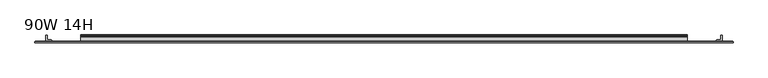
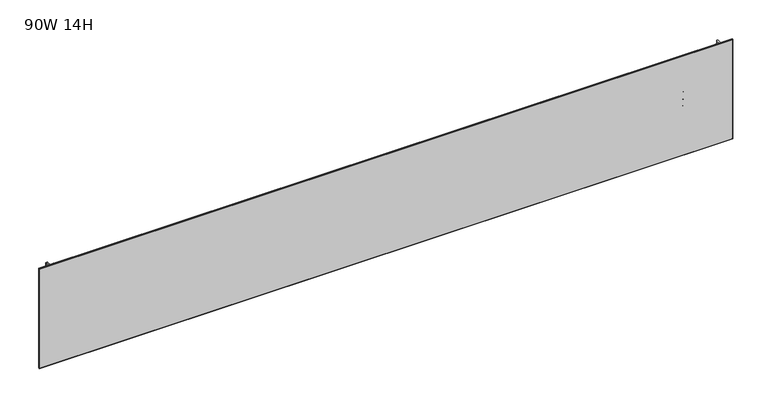
"""IFC4 building model written with IfcOpenShell, lengths in millimetres: furniture geometry, 90W 14H."""

import ifcopenshell
import ifcopenshell.guid

model = None  # the IFC model being written
_history = None  # IfcOwnerHistory: only IFC2X3 demands one
_inside = {}  # id of a spatial element -> (the spatial element, [elements in it])
_under = {}  # id of a project, library or spatial element -> (it, [spatial elements below it])
_declared = {}  # id of a project -> (the project, [libraries it declares])
_typed = {}  # id of a type object -> (the type object, [elements of that type])
_made_of = {}  # id of a material, layer set ... -> (it, [elements and type objects made of it])


def new_model(schema):
    """Start an empty IFC model of exactly this schema.

    Asked for "IFC4X3", IfcOpenShell would pick the latest addendum, in which some entities
    have other attributes; the version numbers below select the first issue.
    IFC2X3 requires an IfcOwnerHistory on every rooted entity: one is made here for all.
    """
    global model, _history
    if schema == "IFC4X3":
        model = ifcopenshell.file(schema_version=(4, 3, 0, 0))
    else:
        model = ifcopenshell.file(schema=schema)
    _inside.clear()
    _under.clear()
    _declared.clear()
    _typed.clear()
    _made_of.clear()
    _history = None
    if model.schema == "IFC2X3":
        org = make("IfcOrganization", Name="unknown")
        user = make(
            "IfcPersonAndOrganization",
            ThePerson=make("IfcPerson", FamilyName="unknown"),
            TheOrganization=org,
        )
        app = make(
            "IfcApplication",
            ApplicationDeveloper=org,
            Version="unknown",
            ApplicationFullName="unknown",
            ApplicationIdentifier="unknown",
        )
        _history = make(
            "IfcOwnerHistory",
            OwningUser=user,
            OwningApplication=app,
            ChangeAction="ADDED",
            CreationDate=0,
        )
    return model


def make(cls, **values):
    """One entity of the class cls with the attributes given. An attribute that is None is left unset."""
    return model.create_entity(
        cls, **{name: value for name, value in values.items() if value is not None}
    )


def rooted(cls, **values):
    """An entity with a GlobalId (a new one), such as an element, a storey or a relation."""
    return make(cls, GlobalId=ifcopenshell.guid.new(), OwnerHistory=_history, **values)


def si_unit(unit_type, name, prefix=None):
    """IfcSIUnit, for example si_unit("LENGTHUNIT", "METRE", prefix="MILLI")."""
    return make("IfcSIUnit", UnitType=unit_type, Prefix=prefix, Name=name)


def assignment(units):
    """IfcUnitAssignment: the units of a project."""
    return None if units is None else make("IfcUnitAssignment", Units=units)


def point(xyz):
    """IfcCartesianPoint."""
    return None if xyz is None else make("IfcCartesianPoint", Coordinates=xyz)


def direction(xyz):
    """IfcDirection."""
    return None if xyz is None else make("IfcDirection", DirectionRatios=xyz)


def frame(location, z_axis=None, x_axis=None):
    """IfcAxis2Placement3D, a coordinate frame: its origin and axes. An axis left out is left unset."""
    return make(
        "IfcAxis2Placement3D",
        Location=point(location),
        Axis=direction(z_axis),
        RefDirection=direction(x_axis),
    )


def frame_2d(location, x_axis=None):
    """IfcAxis2Placement2D, a coordinate frame in the plane: its origin and x axis."""
    return make(
        "IfcAxis2Placement2D", Location=point(location), RefDirection=direction(x_axis)
    )


def origin():
    """The frame at (0, 0, 0) with its axes left unset."""
    return frame((0.0, 0.0, 0.0))


def place(relative_to, where):
    """IfcLocalPlacement: puts the frame where relative to a parent placement (None: the world)."""
    return make(
        "IfcLocalPlacement", PlacementRelTo=relative_to, RelativePlacement=where
    )


def context(
    kind, dimensions, precision=None, world=None, true_north=None, identifier=None
):
    """IfcGeometricRepresentationContext, for example the 3D "Model" context."""
    return make(
        "IfcGeometricRepresentationContext",
        ContextIdentifier=identifier,
        ContextType=kind,
        CoordinateSpaceDimension=dimensions,
        Precision=precision,
        WorldCoordinateSystem=world,
        TrueNorth=true_north,
    )


def project(units=None, contexts=None):
    """IfcProject with its units and contexts."""
    return rooted(
        "IfcProject",
        Name="project",
        RepresentationContexts=contexts,
        UnitsInContext=assignment(units),
    )


def spatial(cls, under=None, at=None, **own):
    """A site, building, storey or space (cls), placed at a placement, below another one or the project."""
    s = rooted(cls, ObjectPlacement=at, **own)
    if under is not None:
        _under.setdefault(under.id(), (under, []))[1].append(s)
    return s


def polyline(points):
    """IfcPolyline through the points."""
    return make("IfcPolyline", Points=[point(p) for p in points])


def circle_curve(where, radius):
    """IfcCircle in the frame where."""
    return make("IfcCircle", Position=where, Radius=radius)


def trimmed(basis, trim1, trim2, sense, master):
    """IfcTrimmedCurve: the piece of a basis curve between two trims."""
    return make(
        "IfcTrimmedCurve",
        BasisCurve=basis,
        Trim1=trim1,
        Trim2=trim2,
        SenseAgreement=sense,
        MasterRepresentation=master,
    )


def segment(curve, same_sense, transition):
    """IfcCompositeCurveSegment."""
    return make(
        "IfcCompositeCurveSegment",
        Transition=transition,
        SameSense=same_sense,
        ParentCurve=curve,
    )


def composite_curve(segments, self_intersect=None):
    """IfcCompositeCurve: segments joined end to end."""
    return make("IfcCompositeCurve", Segments=segments, SelfIntersect=self_intersect)


def outline(outer, holes=None, kind="AREA"):
    """IfcArbitraryClosedProfileDef: a profile drawn as a closed curve; with holes, ...WithVoids."""
    if holes is None:
        return make("IfcArbitraryClosedProfileDef", ProfileType=kind, OuterCurve=outer)
    return make(
        "IfcArbitraryProfileDefWithVoids",
        ProfileType=kind,
        OuterCurve=outer,
        InnerCurves=holes,
    )


def extrude(swept, where, along, depth):
    """IfcExtrudedAreaSolid: the profile swept, set in the frame where, extruded along a direction by depth."""
    return make(
        "IfcExtrudedAreaSolid",
        SweptArea=swept,
        Position=where,
        ExtrudedDirection=direction(along),
        Depth=depth,
    )


def faces_of(points, faces, orient=None, outer=None):
    """IfcFace entities. A face is a list of loops; a loop is a list of indices into points, from 0.

    orient and outer hold one flag for each loop. By default every Orientation is true, the
    first loop of a face is its IfcFaceOuterBound and the others are IfcFaceBound.
    """
    made = []
    for i, loops in enumerate(faces):
        bounds = []
        for j, loop in enumerate(loops):
            is_outer = j == 0 if outer is None else outer[i][j]
            bounds.append(
                make(
                    "IfcFaceOuterBound" if is_outer else "IfcFaceBound",
                    Bound=make("IfcPolyLoop", Polygon=[points[k] for k in loop]),
                    Orientation=True if orient is None else orient[i][j],
                )
            )
        made.append(make("IfcFace", Bounds=bounds))
    return made


def faceted_brep(points, faces, orient=None, outer=None, voids=None):
    """IfcFacetedBrep: a solid bounded by flat faces; with voids (closed shells), ...WithVoids."""
    shared = [point(p) for p in points]
    hull = make("IfcClosedShell", CfsFaces=faces_of(shared, faces, orient, outer))
    if voids is None:
        return make("IfcFacetedBrep", Outer=hull)
    return make(
        "IfcFacetedBrepWithVoids",
        Outer=hull,
        Voids=[
            make(cls, CfsFaces=faces_of(shared, fs, o, b)) for cls, fs, o, b in voids
        ],
    )


def shape(context_of_items, identifier, shape_type, items):
    """IfcShapeRepresentation: the items that make up one representation, for example the "Body"."""
    return make(
        "IfcShapeRepresentation",
        ContextOfItems=context_of_items,
        RepresentationIdentifier=identifier,
        RepresentationType=shape_type,
        Items=items,
    )


def source(mapping_origin, context_of_items, identifier, shape_type, items):
    """IfcRepresentationMap: a shape defined once, which mapped items show again and again."""
    return make(
        "IfcRepresentationMap",
        MappingOrigin=mapping_origin,
        MappedRepresentation=shape(context_of_items, identifier, shape_type, items),
    )


def transform(
    local_origin,
    x_axis=None,
    y_axis=None,
    z_axis=None,
    scale=None,
    scale2=None,
    scale3=None,
    uniform=True,
):
    """IfcCartesianTransformationOperator3D, or its non-uniform kind. x_axis, y_axis, z_axis: its Axis1, 2, 3."""
    if uniform:
        return make(
            "IfcCartesianTransformationOperator3D",
            Axis1=direction(x_axis),
            Axis2=direction(y_axis),
            LocalOrigin=point(local_origin),
            Scale=scale,
            Axis3=direction(z_axis),
        )
    return make(
        "IfcCartesianTransformationOperator3DnonUniform",
        Axis1=direction(x_axis),
        Axis2=direction(y_axis),
        LocalOrigin=point(local_origin),
        Scale=scale,
        Axis3=direction(z_axis),
        Scale2=scale2,
        Scale3=scale3,
    )


def mapped(mapping_source, mapping_target):
    """IfcMappedItem: shows the shape of a source again, moved by a transform."""
    return make(
        "IfcMappedItem", MappingSource=mapping_source, MappingTarget=mapping_target
    )


def made_of(thing, what):
    """Note that an element or type object is made of a material, layer set ...; save() writes the relation."""
    if what is not None:
        _made_of.setdefault(what.id(), (what, []))[1].append(thing)
    return thing


def element(
    cls,
    number,
    at=None,
    inside=None,
    cuts=None,
    type_object=None,
    material=None,
    context=None,
    identifier="Body",
    shape_type=None,
    held_by="IfcProductDefinitionShape",
    body=None,
    shapes=None,
    **own,
):
    """One element of the class cls, such as IfcWall. Its Tag is "e" and its number.

    at: its placement. inside: the storey or other place that contains it. cuts: it is an
    opening in that element (IfcRelVoidsElement). A single representation is given by context,
    identifier, shape_type and body (its items); several are given by shapes. held_by: the class
    of the entity that holds the representations. save() writes the other relations.
    """
    e = rooted(cls, Tag="e%d" % number, ObjectPlacement=at, **own)
    if body is not None:
        shapes = [shape(context, identifier, shape_type, body)]
    if shapes is not None:
        e.Representation = make(held_by, Representations=shapes)
    if inside is not None:
        _inside.setdefault(inside.id(), (inside, []))[1].append(e)
    if cuts is not None:
        rooted(
            "IfcRelVoidsElement", RelatingBuildingElement=cuts, RelatedOpeningElement=e
        )
    if type_object is not None:
        _typed.setdefault(type_object.id(), (type_object, []))[1].append(e)
    return made_of(e, material)


def aggregate(whole, parts):
    """IfcRelAggregates: a whole, such as a stair, and the parts it consists of."""
    return rooted("IfcRelAggregates", RelatingObject=whole, RelatedObjects=parts)


def save(model, path):
    """Write the relations noted so far, then the file.

    IfcRelAggregates (storeys below a building ...), IfcRelContainedInSpatialStructure (elements
    in a storey), IfcRelDefinesByType, IfcRelAssociatesMaterial and IfcRelDeclares: one each for
    every whole, place, type object, material and project.
    """
    for whole, parts in _under.values():
        aggregate(whole, parts)
    for where, things in _inside.values():
        rooted(
            "IfcRelContainedInSpatialStructure",
            RelatedElements=things,
            RelatingStructure=where,
        )
    for kind, things in _typed.values():
        rooted("IfcRelDefinesByType", RelatedObjects=things, RelatingType=kind)
    for what, things in _made_of.values():
        rooted("IfcRelAssociatesMaterial", RelatedObjects=things, RelatingMaterial=what)
    for by, libraries in _declared.values():
        rooted("IfcRelDeclares", RelatingContext=by, RelatedDefinitions=libraries)
    model.write(path)


def furniture_90w_14h_d472a42c(model_context):
    return source(origin(), model_context, "Body", "SolidModel", [
        extrude(outline(composite_curve([segment(polyline([(-5.2324, 1512.9838044), (-5.2324, 1534.1023302)]), True, "CONTINUOUS"), segment(trimmed(circle_curve(frame_2d((-4.677496, 1534.1023302)), 0.554904), [point((-5.2324, 1534.1023302))], [point((-4.5338691, 1534.6383245))], False, "CARTESIAN"), True, "CONTINUOUS"), segment(polyline([(-4.5338691, 1534.6383245), (-3.3274001, 1534.3150349), (-2.3976956, 1533.3853678), (-2.0574001, 1532.1153145), (-2.0574001, 1519.3455299)]), True, "CONTINUOUS"), segment(trimmed(circle_curve(frame_2d((-1.4921701, 1519.3455299)), 0.5652299), [point((-2.0574001, 1519.3455299))], [point((-1.4921701, 1518.7803))], True, "CARTESIAN"), True, "CONTINUOUS"), segment(polyline([(-1.4921701, 1518.7803), (0.5143951, 1518.7803)]), True, "CONTINUOUS"), segment(trimmed(circle_curve(frame_2d((0.5143951, 1518.1770951)), 0.6032049), [point((0.5143951, 1518.7803))], [point((1.1176, 1518.1770951))], False, "CARTESIAN"), True, "CONTINUOUS"), segment(polyline([(1.1176, 1518.1770951), (1.1176, 1487.0624914)]), True, "CONTINUOUS"), segment(trimmed(circle_curve(frame_2d((0.6637885, 1489.7516964)), 2.7272272), [point((1.1176, 1487.0624914))], [point((-2.0574001, 1489.5703097))], False, "CARTESIAN"), True, "CONTINUOUS"), segment(polyline([(-2.0574001, 1489.5703097), (-2.0574001, 1511.8860586)]), True, "CONTINUOUS"), segment(trimmed(circle_curve(frame_2d((-2.6016657, 1511.8860586)), 0.5442657), [point((-2.0574001, 1511.8860586))], [point((-2.6016657, 1512.4303242))], True, "CARTESIAN"), True, "CONTINUOUS"), segment(polyline([(-2.6016657, 1512.4303242), (-4.6789199, 1512.4303242)]), True, "CONTINUOUS"), segment(trimmed(circle_curve(frame_2d((-4.6789199, 1512.9838044)), 0.5534801), [point((-4.6789199, 1512.4303242))], [point((-5.2324, 1512.9838044))], False, "CARTESIAN"), True, "CONTINUOUS")], self_intersect=False)), frame((152.4, 0.0, 0.0), z_axis=(1.0, 0.0, 0.0), x_axis=(0.0, 1.0, 0.0)), (0.0, 0.0, 1.0), 1981.2),
        extrude(outline(composite_curve([segment(polyline([(-7.1373999, 1566.4053), (-4.5974, 1565.7247456), (-2.7379909, 1563.8653388), (-2.0574001, 1561.3253048), (-2.0574001, 1539.711622)]), True, "CONTINUOUS"), segment(trimmed(circle_curve(frame_2d((-1.4969277, 1539.711622)), 0.5604724), [point((-2.0574001, 1539.711622))], [point((-1.4969277, 1539.1511496))], True, "CARTESIAN"), True, "CONTINUOUS"), segment(polyline([(-1.4969277, 1539.1511496), (0.4039455, 1539.1511496)]), True, "CONTINUOUS"), segment(trimmed(circle_curve(frame_2d((0.4039455, 1538.4374952)), 0.7136544), [point((0.4039455, 1539.1511496))], [point((1.1176, 1538.4374952))], False, "CARTESIAN"), True, "CONTINUOUS"), segment(polyline([(1.1176, 1538.4374952), (1.1176, 1520.0813562)]), True, "CONTINUOUS"), segment(trimmed(circle_curve(frame_2d((0.4746932, 1520.0813562)), 0.6429068), [point((1.1176, 1520.0813562))], [point((-0.1003385, 1519.7938364))], False, "CARTESIAN"), True, "CONTINUOUS"), segment(polyline([(-0.1003385, 1519.7938364), (-1.8183367, 1523.2297852)]), True, "CONTINUOUS"), segment(trimmed(circle_curve(frame_2d((0.2069874, 1524.2424613)), 2.2643874), [point((-1.8183367, 1523.2297852))], [point((-2.0574001, 1524.2424613))], False, "CARTESIAN"), True, "CONTINUOUS"), segment(polyline([(-2.0574001, 1524.2424613), (-2.0574001, 1533.9181396)]), True, "CONTINUOUS"), segment(trimmed(circle_curve(frame_2d((-2.7946089, 1533.9181396)), 0.7372088), [point((-2.0574001, 1533.9181396))], [point((-2.7946089, 1534.6553484))], True, "CARTESIAN"), True, "CONTINUOUS"), segment(polyline([(-2.7946089, 1534.6553484), (-19.4564001, 1534.6553484), (-19.4564001, 1566.4053), (-7.1373999, 1566.4053)]), True, "CONTINUOUS")], self_intersect=False), holes=[composite_curve([segment(trimmed(circle_curve(frame_2d((-13.0222745, 1561.114213)), 2.7511257), [point((-13.0222745, 1563.8653388))], [point((-15.7734002, 1561.114213))], True, "CARTESIAN"), True, "CONTINUOUS"), segment(polyline([(-15.7734002, 1561.114213), (-15.7734002, 1539.7793649)]), True, "CONTINUOUS"), segment(trimmed(circle_curve(frame_2d((-13.189345, 1539.7793649)), 2.5840552), [point((-15.7734002, 1539.7793649))], [point((-13.189345, 1537.1953097))], True, "CARTESIAN"), True, "CONTINUOUS"), segment(polyline([(-13.189345, 1537.1953097), (-7.4218653, 1537.1953097)]), True, "CONTINUOUS"), segment(trimmed(circle_curve(frame_2d((-7.4218653, 1540.0197749)), 2.8244652), [point((-7.4218653, 1537.1953097))], [point((-4.5974, 1540.0197749))], True, "CARTESIAN"), True, "CONTINUOUS"), segment(polyline([(-4.5974, 1540.0197749), (-4.5974, 1561.188195)]), True, "CONTINUOUS"), segment(trimmed(circle_curve(frame_2d((-7.2745438, 1561.188195)), 2.6771438), [point((-4.5974, 1561.188195))], [point((-7.2745438, 1563.8653388))], True, "CARTESIAN"), True, "CONTINUOUS"), segment(polyline([(-7.2745438, 1563.8653388), (-13.0222745, 1563.8653388)]), True, "CONTINUOUS")], self_intersect=False)]), frame((152.4, 0.0, 0.0), z_axis=(1.0, 0.0, 0.0), x_axis=(0.0, 1.0, 0.0)), (0.0, 0.0, 1.0), 1981.2),
        extrude(outline(composite_curve([segment(trimmed(circle_curve(frame_2d((2247.3524764, -18.9088765)), 0.5475236), [point((2247.9, -18.9088765))], [point((2247.3524764, -19.4564001))], False, "CARTESIAN"), True, "CONTINUOUS"), segment(polyline([(2247.3524764, -19.4564001), (2229.4113866, -19.4564001)]), True, "CONTINUOUS"), segment(trimmed(circle_curve(frame_2d((2229.4113866, -18.8950135)), 0.5613866), [point((2229.4113866, -19.4564001))], [point((2228.85, -18.8950135))], False, "CARTESIAN"), True, "CONTINUOUS"), segment(polyline([(2228.85, -18.8950135), (2228.85, -16.8669745)]), True, "CONTINUOUS"), segment(trimmed(circle_curve(frame_2d((2231.4294745, -16.8669745)), 2.5794745), [point((2228.85, -16.8669745))], [point((2231.4294745, -14.2875))], False, "CARTESIAN"), True, "CONTINUOUS"), segment(polyline([(2231.4294745, -14.2875), (2242.4787912, -14.2875)]), True, "CONTINUOUS"), segment(trimmed(circle_curve(frame_2d((2242.4787912, -13.6414903)), 0.6460097), [point((2242.4787912, -14.2875))], [point((2243.1248009, -13.6414903))], True, "CARTESIAN"), True, "CONTINUOUS"), segment(polyline([(2243.1248009, -13.6414903), (2243.1248009, -2.768893)]), True, "CONTINUOUS"), segment(trimmed(circle_curve(frame_2d((2245.8936939, -2.768893)), 2.768893), [point((2243.1248009, -2.768893))], [point((2245.8936939, 0.0))], False, "CARTESIAN"), True, "CONTINUOUS"), segment(polyline([(2245.8936939, 0.0), (2247.3082199, 0.0)]), True, "CONTINUOUS"), segment(trimmed(circle_curve(frame_2d((2247.3082199, -0.5917801)), 0.5917801), [point((2247.3082199, 0.0))], [point((2247.9, -0.5917801))], False, "CARTESIAN"), True, "CONTINUOUS"), segment(polyline([(2247.9, -0.5917801), (2247.9, -18.9088765)]), True, "CONTINUOUS")], self_intersect=False)), frame((0.0, 0.0, 1362.329), z_axis=(0.0, 0.0, 1.0), x_axis=(1.0, 0.0, 0.0)), (0.0, 0.0, 1.0), 336.5373),
        extrude(outline(composite_curve([segment(polyline([(38.1, -18.9088765), (38.1, -0.5917801)]), True, "CONTINUOUS"), segment(trimmed(circle_curve(frame_2d((38.6917801, -0.5917801)), 0.5917801), [point((38.1, -0.5917801))], [point((38.6917801, 0.0))], False, "CARTESIAN"), True, "CONTINUOUS"), segment(polyline([(38.6917801, 0.0), (40.1063061, 0.0)]), True, "CONTINUOUS"), segment(trimmed(circle_curve(frame_2d((40.1063061, -2.768893)), 2.768893), [point((40.1063061, 0.0))], [point((42.8751991, -2.768893))], False, "CARTESIAN"), True, "CONTINUOUS"), segment(polyline([(42.8751991, -2.768893), (42.8751991, -13.6414903)]), True, "CONTINUOUS"), segment(trimmed(circle_curve(frame_2d((43.5212088, -13.6414903)), 0.6460097), [point((42.8751991, -13.6414903))], [point((43.5212088, -14.2875))], True, "CARTESIAN"), True, "CONTINUOUS"), segment(polyline([(43.5212088, -14.2875), (54.5705255, -14.2875)]), True, "CONTINUOUS"), segment(trimmed(circle_curve(frame_2d((54.5705255, -16.8669745)), 2.5794745), [point((54.5705255, -14.2875))], [point((57.15, -16.8669745))], False, "CARTESIAN"), True, "CONTINUOUS"), segment(polyline([(57.15, -16.8669745), (57.15, -18.8950135)]), True, "CONTINUOUS"), segment(trimmed(circle_curve(frame_2d((56.5886134, -18.8950135)), 0.5613866), [point((57.15, -18.8950135))], [point((56.5886134, -19.4564001))], False, "CARTESIAN"), True, "CONTINUOUS"), segment(polyline([(56.5886134, -19.4564001), (38.6475236, -19.4564001)]), True, "CONTINUOUS"), segment(trimmed(circle_curve(frame_2d((38.6475236, -18.9088765)), 0.5475236), [point((38.6475236, -19.4564001))], [point((38.1, -18.9088765))], False, "CARTESIAN"), True, "CONTINUOUS")], self_intersect=False)), frame((0.0, 0.0, 1362.329), z_axis=(0.0, 0.0, 1.0), x_axis=(1.0, 0.0, 0.0)), (0.0, 0.0, 1.0), 336.5373),
        extrude(outline(polyline([(2278.6975002, -20.0634601), (7.3024998, -20.0634601), (7.3024998, -19.4564001), (2278.6975002, -19.4564001), (2278.6975002, -20.0634601)])), frame((0.0, 0.0, 1362.329), z_axis=(0.0, 0.0, 1.0), x_axis=(1.0, 0.0, 0.0)), (0.0, 0.0, 1.0), 336.5373),
        faceted_brep([(2283.4600024, -24.0512595, 1703.6288), (2283.4600024, -20.8508598, 1703.6288), (2.5400001, -20.8508598, 1703.6288), (2.5400001, -24.0512595, 1703.6288), (2.5400001, -24.0512595, 1357.5538), (2.5400001, -20.8508598, 1357.5538), (2283.4600024, -20.8508598, 1357.5538), (2283.4600024, -24.0512595, 1357.5538), (3.3274521, -24.8386592, 1702.8413481), (3.3274521, -24.8386592, 1358.3412519), (2282.6725505, -24.8386592, 1358.3412519), (2282.6725505, -24.8386592, 1702.8413481), (3.3274521, -20.0634601, 1358.3412519), (3.3274521, -20.0634601, 1702.8413481), (2282.6725505, -20.0634601, 1702.8413481), (2282.6725505, -20.0634601, 1358.3412519)], [[[0, 1, 2, 3]], [[4, 5, 6, 7]], [[8, 9, 10, 11]], [[1, 0, 7, 6]], [[12, 13, 14, 15]], [[3, 2, 5, 4]], [[12, 5, 2, 13]], [[4, 9, 8, 3]], [[5, 12, 15, 6]], [[9, 4, 7, 10]], [[6, 15, 14, 1]], [[10, 7, 0, 11]], [[13, 2, 1, 14]], [[3, 8, 11, 0]]]),
    ])


if __name__ == "__main__":
    model = new_model("IFC4")
    model_context = context("Model", 3, world=origin())
    ifc_project = project(units=[si_unit("LENGTHUNIT", "METRE", prefix="MILLI")], contexts=[model_context])
    site = spatial("IfcSite", under=ifc_project)
    building = spatial("IfcBuilding", under=site)
    placement = place(None, origin())
    furniture_90w_14h_shape = furniture_90w_14h_d472a42c(model_context)
    element("IfcFurniture", 1, ObjectType="90W 14H", at=placement, inside=building, context=model_context, shape_type="MappedRepresentation", body=[
        mapped(furniture_90w_14h_shape, transform((0.0, 0.0, 0.0), x_axis=(1.0, 0.0, 0.0), y_axis=(0.0, 1.0, 0.0), z_axis=(0.0, 0.0, 1.0))),
    ])
    save(model, "model.ifc")
